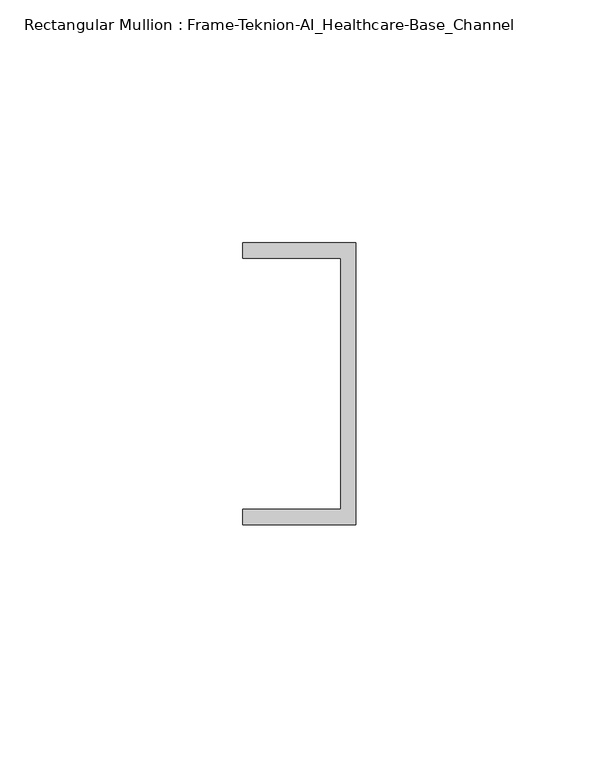
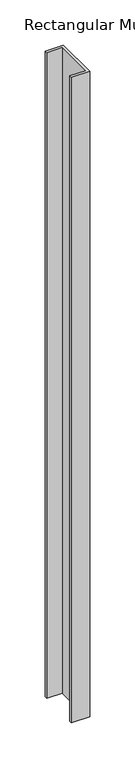
"""IFC4 building model written with IfcOpenShell, lengths in millimetres: member geometry, Rectangular Mullion : Frame-Teknion-AI_Healthcare-Base_Channel."""

from ifc_helpers import new_model, si_unit, frame, origin, place, context, project, spatial, polyline, outline, extrude, source, transform, mapped, element, save


def rectangular_mullion_frame_teknion_ai_healthcare_base_channel_fe9e987d(model_context):
    return source(origin(), model_context, "Body", "SweptSolid", [
        extrude(outline(polyline([(0.0, -29.0214844), (-23.3164063, -29.0214844), (-23.3164063, -25.8464844), (-3.175, -25.8464844), (-3.175, 25.8464844), (-23.3164063, 25.8464844), (-23.3164063, 29.0214844), (0.0, 29.0214844), (0.0, -29.0214844)])), frame((0.0, 0.0, -873.7979397), z_axis=(0.0, 0.0, 1.0), x_axis=(1.0, 0.0, 0.0)), (0.0, 0.0, 1.0), 873.7979397),
    ])


if __name__ == "__main__":
    model = new_model("IFC4")
    model_context = context("Model", 3, world=origin())
    ifc_project = project(units=[si_unit("LENGTHUNIT", "METRE", prefix="MILLI")], contexts=[model_context])
    site = spatial("IfcSite", under=ifc_project)
    building = spatial("IfcBuilding", under=site)
    placement = place(None, origin())
    rectangular_mullion_frame_teknion_ai_healthcare_base_channel_shape = rectangular_mullion_frame_teknion_ai_healthcare_base_channel_fe9e987d(model_context)
    element("IfcMember", 1, ObjectType="Rectangular Mullion : Frame-Teknion-AI_Healthcare-Base_Channel", at=placement, inside=building, context=model_context, shape_type="MappedRepresentation", body=[
        mapped(rectangular_mullion_frame_teknion_ai_healthcare_base_channel_shape, transform((0.0, 0.0, 0.0), x_axis=(1.0, 0.0, 0.0), y_axis=(0.0, 1.0, 0.0), z_axis=(0.0, 0.0, 1.0))),
    ])
    save(model, "model.ifc")
